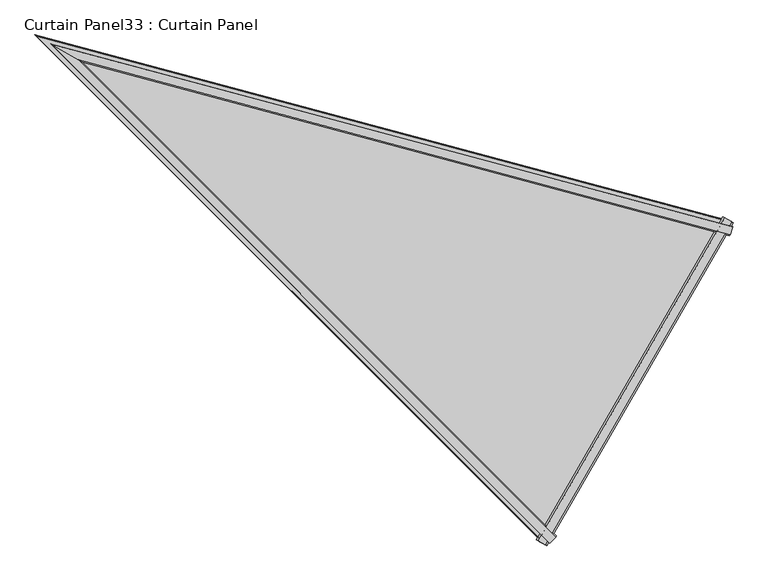
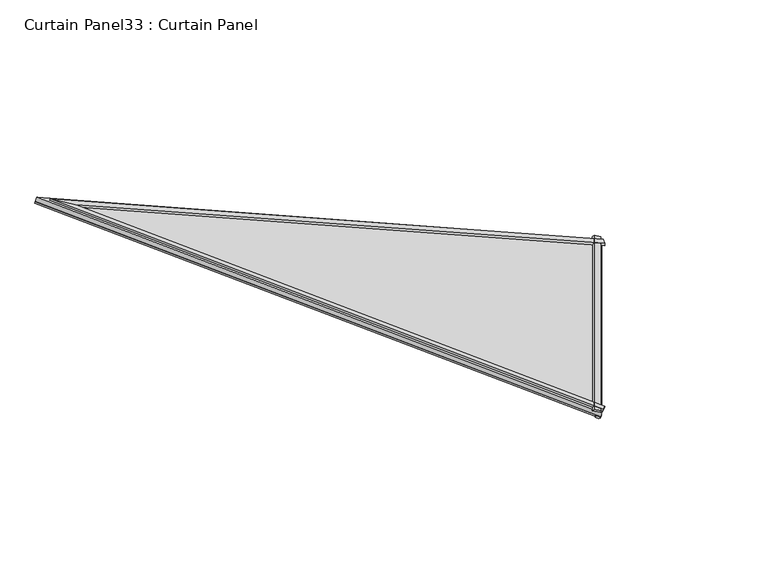
"""IFC4 building model written with IfcOpenShell, lengths in millimetres: plate geometry, Curtain Panel33 : Curtain Panel."""

from ifc_helpers import new_model, si_unit, frame, origin, place, context, project, spatial, polyline, outline, extrude, faceted_brep, source, transform, mapped, element, save


def curtain_panel33_curtain_panel_f46bd657(model_context):
    return source(origin(), model_context, "Body", "SolidModel", [
        faceted_brep([(-10754.8449295, -14131.8969858, 3572.6403273), (-10749.4877498, -14113.2510113, 3573.9395462), (-10748.2964646, -14113.9388001, 3578.8983443), (-10752.8406071, -14129.7896224, 3577.8297959), (-11106.3347016, -14740.6956213, 3572.6402591), (-11107.1575706, -14743.4850972, 3577.8297277), (-11118.6127142, -14755.3458511, 3578.8982761), (-11119.8039994, -14754.6580623, 3573.9394779), (-12066.7585928, -13780.3289161, 3936.5728423), (-12131.6700309, -13742.8522799, 3957.3649862), (-12130.4787457, -13743.5400687, 3962.3237844), (-12075.3065809, -13775.3937329, 3944.6895835)], [[[0, 1, 2, 3]], [[4, 5, 6, 7]], [[1, 0, 8, 4, 7, 9]], [[2, 1, 9, 10]], [[3, 2, 10, 11]], [[0, 3, 11, 8]], [[10, 9, 7, 6]], [[11, 10, 6, 5]], [[8, 11, 5, 4]]]),
        faceted_brep([(-10751.3906799, -14102.9459391, 3557.1248509), (-10750.1819435, -14103.6438034, 3562.1562909), (-10753.2416455, -14114.2932734, 3561.4142545), (-10754.3518116, -14113.9958052, 3557.124936), (-11129.6799187, -14758.1626126, 3557.1247826), (-11121.5910198, -14750.0732642, 3557.1248678), (-11120.7783217, -14750.8859623, 3561.4141863), (-11128.4711823, -14758.8604769, 3562.1562227), (-12163.331631, -13724.5724465, 3948.8055198), (-12162.1228946, -13725.2703108, 3953.8369599), (-12125.0493478, -13746.674733, 3941.9617258), (-12125.0492333, -13746.6747991, 3937.364409)], [[[0, 1, 2, 3]], [[4, 5, 6, 7]], [[1, 0, 8, 9]], [[2, 1, 9, 7, 6, 10]], [[3, 2, 10, 11]], [[0, 3, 11, 8]], [[9, 8, 4, 7]], [[11, 10, 6, 5]], [[8, 11, 5, 4]]]),
        extrude(outline(polyline([(22.6434883, -5.1765034), (22.7898929, -21.8416024), (17.5121094, -24.5335062), (17.5121094, -3.9183413), (22.6434883, -5.1765034)])), frame((-11129.5766946, -14758.2452922, 3557.6162714), z_axis=(0.5000000000000029, 0.8660254037844369, 0.0), x_axis=(0.23149479148832786, -0.13365358018178422, 0.9636113749942802)), (0.0, 0.0, 1.0), 756.6188266),
        extrude(outline(polyline([(0.2320421, -12.9397004), (-2.750889, -2.1860299), (4.7128907, -0.1156726), (4.7128907, -13.8343784), (0.2320421, -12.9397004)])), frame((-11129.5766946, -14758.2452922, 3557.6162714), z_axis=(0.5000000000000029, 0.8660254037844369, 0.0), x_axis=(0.23149479148832786, -0.13365358018178422, 0.9636113749942802)), (0.0, 0.0, 1.0), 756.6188266),
        extrude(outline(polyline([(-16.9391556, 0.0), (-206.0727439, -732.5984812), (-1530.3457747, 0.0), (-16.9391556, 0.0)])), frame((-10734.3719278, -14107.8592655, 3557.7734577), z_axis=(0.23149479148832783, -0.1336535801817842, 0.9636113749942802), x_axis=(0.933004759881383, -0.25002764408226286, -0.2588209713940434)), (0.0, 0.0, 1.0), 12.7992187),
    ])


if __name__ == "__main__":
    model = new_model("IFC4")
    model_context = context("Model", 3, world=origin())
    ifc_project = project(units=[si_unit("LENGTHUNIT", "METRE", prefix="MILLI")], contexts=[model_context])
    site = spatial("IfcSite", under=ifc_project)
    building = spatial("IfcBuilding", under=site)
    placement = place(None, origin())
    curtain_panel33_curtain_panel_shape = curtain_panel33_curtain_panel_f46bd657(model_context)
    element("IfcPlate", 1, ObjectType="Curtain Panel33 : Curtain Panel", at=placement, inside=building, context=model_context, shape_type="MappedRepresentation", body=[
        mapped(curtain_panel33_curtain_panel_shape, transform((0.0, 0.0, 0.0), x_axis=(1.0, 0.0, 0.0), y_axis=(0.0, 1.0, 0.0), z_axis=(0.0, 0.0, 1.0))),
    ])
    save(model, "model.ifc")
